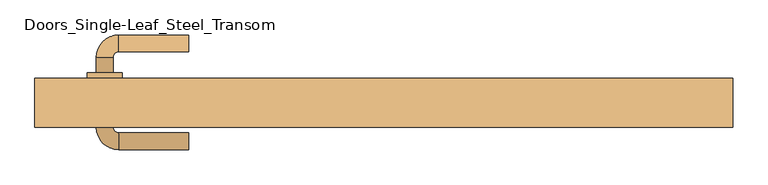
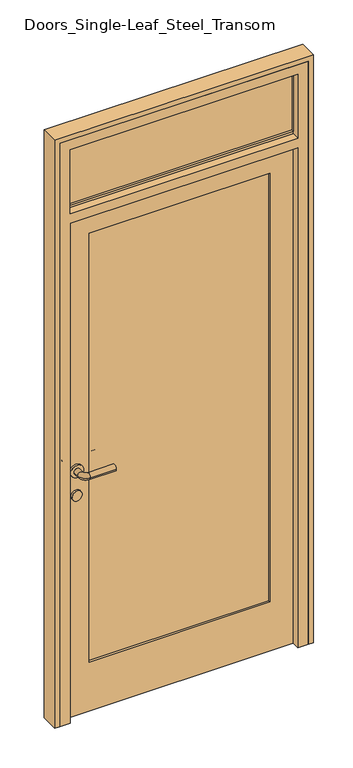
"""IFC4 building model written with IfcOpenShell, lengths in millimetres: door geometry, Doors_Single-Leaf_Steel_Transom."""

from ifc_helpers import new_model, si_unit, point, frame, frame_2d, origin, place, context, project, spatial, polyline, circle_curve, ellipse_curve, trimmed, segment, composite_curve, outline, extrude, faceted_brep, source, transform, mapped, element, save
from ifc_brep_helpers import plane_surface, cylinder_surface, revolved_surface, advanced_brep


def doors_single_leaf_steel_transom_37cc685a(model_context):
    return source(origin(), model_context, "Body", "SolidModel", [
        extrude(outline(polyline([(2080.0, -450.0), (2080.0, 450.0), (2350.0, 450.0), (2350.0, -450.0), (2080.0, -450.0)]), holes=[polyline([(2340.0, 440.0), (2090.0, 440.0), (2090.0, -440.0), (2340.0, -440.0), (2340.0, 440.0)])]), frame((0.0, 10.0, 0.0), z_axis=(0.0, 1.0, 0.0), x_axis=(0.0, 0.0, 1.0)), (0.0, 0.0, 1.0), 40.0),
        extrude(outline(polyline([(-440.0, 42.0), (440.0, 42.0), (440.0, 18.0), (-440.0, 18.0), (-440.0, 42.0)])), frame((0.0, 0.0, 2090.0), z_axis=(0.0, 0.0, 1.0), x_axis=(1.0, 0.0, 0.0)), (0.0, 0.0, 1.0), 250.0),
        extrude(outline(composite_curve([segment(trimmed(circle_curve(frame_2d((900.0, -400.0)), 20.0), [point((900.0, -420.0))], [point((900.0, -380.0))], False, "CARTESIAN"), True, "CONTINUOUS"), segment(trimmed(circle_curve(frame_2d((900.0, -400.0)), 20.0), [point((900.0, -380.0))], [point((900.0, -420.0))], False, "CARTESIAN"), True, "CONTINUOUS")], self_intersect=False)), frame((0.0, 50.0, 0.0), z_axis=(0.0, 1.0, 0.0), x_axis=(0.0, 0.0, 1.0)), (0.0, 0.0, 1.0), 8.0),
        extrude(outline(composite_curve([segment(trimmed(circle_curve(frame_2d((900.0, -400.0)), 20.0), [point((900.0, -420.0))], [point((900.0, -380.0))], False, "CARTESIAN"), True, "CONTINUOUS"), segment(trimmed(circle_curve(frame_2d((900.0, -400.0)), 20.0), [point((900.0, -380.0))], [point((900.0, -420.0))], False, "CARTESIAN"), True, "CONTINUOUS")], self_intersect=False)), frame((0.0, 2.0, 0.0), z_axis=(0.0, 1.0, 0.0), x_axis=(0.0, 0.0, 1.0)), (0.0, 0.0, 1.0), 8.0),
        advanced_brep(
        [(-280.0, 112.0, 1000.0), (-280.0, 88.0, 1000.0), (-380.0, 112.0, 1000.0), (-380.0, 88.0, 1000.0), (-412.0, 80.0, 1000.0), (-388.0, 80.0, 1000.0), (-412.0, 58.0, 1000.0), (-388.0, 58.0, 1000.0), (-425.0, 58.0, 1000.0), (-375.0, 58.0, 1000.0), (-375.0, 50.0, 1000.0), (-425.0, 50.0, 1000.0)],
        [
            (0, 1, circle_curve(frame((-280.0, 100.0, 1000.0), z_axis=(1.0, 0.0, 0.0), x_axis=(0.0, -1.0, 0.0)), 12.0)),
            (1, 0, circle_curve(frame((-280.0, 100.0, 1000.0), z_axis=(1.0, 0.0, 0.0), x_axis=(0.0, -1.0, 0.0)), 12.0)),
            (0, 2),
            (2, 3, circle_curve(frame((-380.0, 100.0, 1000.0), z_axis=(1.0, 0.0, 0.0), x_axis=(0.0, -1.0, 0.0)), 12.0)),
            (3, 1),
            (3, 2, circle_curve(frame((-380.0, 100.0, 1000.0), z_axis=(1.0, 0.0, 0.0), x_axis=(0.0, -1.0, 0.0)), 12.0)),
            (2, 4, circle_curve(frame((-380.0, 80.0, 1000.0), z_axis=(0.0, 0.0, 1.0), x_axis=(0.0, 1.0, 0.0)), 32.0)),
            (4, 5, circle_curve(frame((-400.0, 80.0, 1000.0), z_axis=(0.0, 1.0, 0.0), x_axis=(1.0, 0.0, 0.0)), 12.0)),
            (5, 3, circle_curve(frame((-380.0, 80.0, 1000.0), z_axis=(0.0, 0.0, -1.0), x_axis=(0.0, 1.0, 0.0)), 8.0)),
            (5, 4, circle_curve(frame((-400.0, 80.0, 1000.0), z_axis=(0.0, 1.0, 0.0), x_axis=(1.0, 0.0, 0.0)), 12.0)),
            (4, 6),
            (6, 7, circle_curve(frame((-400.0, 58.0, 1000.0), z_axis=(0.0, 1.0, 0.0), x_axis=(1.0, 0.0, 0.0)), 12.0)),
            (7, 5),
            (7, 6, circle_curve(frame((-400.0, 58.0, 1000.0), z_axis=(0.0, 1.0, 0.0), x_axis=(1.0, 0.0, 0.0)), 12.0)),
            (8, 9, circle_curve(frame((-400.0, 58.0, 1000.0), z_axis=(0.0, 1.0, 0.0), x_axis=(1.0, 0.0, 0.0)), 25.0)),
            (9, 8, circle_curve(frame((-400.0, 58.0, 1000.0), z_axis=(0.0, 1.0, 0.0), x_axis=(1.0, 0.0, 0.0)), 25.0)),
            (9, 10),
            (10, 11, circle_curve(frame((-400.0, 50.0, 1000.0), z_axis=(0.0, 1.0, 0.0), x_axis=(1.0, 0.0, 0.0)), 25.0)),
            (11, 8),
            (11, 10, circle_curve(frame((-400.0, 50.0, 1000.0), z_axis=(0.0, 1.0, 0.0), x_axis=(1.0, 0.0, 0.0)), 25.0)),
        ],
        [
            plane_surface(frame((-280.0, 100.0, 1000.0), z_axis=(1.0, 0.0, 0.0), x_axis=(0.0, 0.0, 1.0))),
            cylinder_surface(frame((-280.0, 100.0, 1000.0), z_axis=(1.0, 0.0, 0.0), x_axis=(0.0, -1.0, 0.0)), 12.0),
            revolved_surface(trimmed(ellipse_curve(frame((-380.0, 100.0, 1000.0), z_axis=(1.0, 0.0, 0.0), x_axis=(0.0, -1.0, 0.0)), 12.0, 12.0), [point((-380.0, 112.0, 1000.0))], [point((-380.0, 88.0, 1000.0))], True, "CARTESIAN"), (-380.0, 80.0, 1000.0), (0.0, 0.0, 1.0)),
            revolved_surface(trimmed(ellipse_curve(frame((-380.0, 100.0, 1000.0), z_axis=(1.0, 0.0, 0.0), x_axis=(0.0, -1.0, 0.0)), 12.0, 12.0), [point((-380.0, 88.0, 1000.0))], [point((-380.0, 112.0, 1000.0))], True, "CARTESIAN"), (-380.0, 80.0, 1000.0), (0.0, 0.0, 1.0)),
            cylinder_surface(frame((-400.0, 80.0, 1000.0), z_axis=(0.0, 1.0, 0.0), x_axis=(1.0, 0.0, 0.0)), 12.0),
            plane_surface(frame((-375.0, 58.0, 1000.0), z_axis=(0.0, 1.0, 0.0), x_axis=(0.0, 0.0, -1.0))),
            cylinder_surface(frame((-400.0, 58.0, 1000.0), z_axis=(0.0, -1.0, 0.0), x_axis=(1.0, 0.0, 0.0)), 25.0),
            plane_surface(frame((-330.0, 50.0, 1200.0), z_axis=(0.0, -1.0, 0.0), x_axis=(0.0, 0.0, -1.0))),
        ],
        [
            (0, [[1, 2]]),
            (1, [[-1, 3, 4, 5]]),
            (1, [[-2, -5, 6, -3]]),
            (2, [[-4, 7, 8, 9]]),
            (3, [[-6, -9, 10, -7]]),
            (4, [[-8, 11, 12, 13]]),
            (4, [[-10, -13, 14, -11]]),
            (5, [[15, 16], [-12, -14]]),
            (6, [[-16, 17, 18, 19]]),
            (6, [[-15, -19, 20, -17]]),
            (7, [[-18, -20]]),
        ],
    ),
        advanced_brep(
        [(-412.0, -20.0, 1000.0), (-388.0, -20.0, 1000.0), (-388.0, 2.0, 1000.0), (-412.0, 2.0, 1000.0), (-380.0, -52.0, 1000.0), (-380.0, -28.0, 1000.0), (-280.0, -52.0, 1000.0), (-280.0, -28.0, 1000.0), (-425.0, 2.0, 1000.0), (-375.0, 2.0, 1000.0), (-425.0, 10.0, 1000.0), (-375.0, 10.0, 1000.0)],
        [
            (0, 1, circle_curve(frame((-400.0, -20.0, 1000.0), z_axis=(0.0, 1.0, 0.0), x_axis=(1.0, 0.0, 0.0)), 12.0)),
            (1, 2),
            (2, 3, circle_curve(frame((-400.0, 2.0, 1000.0), z_axis=(0.0, -1.0, 0.0), x_axis=(1.0, 0.0, 0.0)), 12.0)),
            (3, 0),
            (1, 0, circle_curve(frame((-400.0, -20.0, 1000.0), z_axis=(0.0, 1.0, 0.0), x_axis=(1.0, 0.0, 0.0)), 12.0)),
            (3, 2, circle_curve(frame((-400.0, 2.0, 1000.0), z_axis=(0.0, -1.0, 0.0), x_axis=(1.0, 0.0, 0.0)), 12.0)),
            (0, 4, circle_curve(frame((-380.0, -20.0, 1000.0), z_axis=(0.0, 0.0, 1.0), x_axis=(-1.0, 0.0, 0.0)), 32.0)),
            (4, 5, circle_curve(frame((-380.0, -40.0, 1000.0), z_axis=(-1.0, 0.0, 0.0), x_axis=(0.0, 1.0, 0.0)), 12.0)),
            (5, 1, circle_curve(frame((-380.0, -20.0, 1000.0), z_axis=(0.0, 0.0, -1.0), x_axis=(-1.0, 0.0, 0.0)), 8.0)),
            (5, 4, circle_curve(frame((-380.0, -40.0, 1000.0), z_axis=(-1.0, 0.0, 0.0), x_axis=(0.0, 1.0, 0.0)), 12.0)),
            (6, 7, circle_curve(frame((-280.0, -40.0, 1000.0), z_axis=(1.0, 0.0, 0.0), x_axis=(0.0, 1.0, 0.0)), 12.0)),
            (7, 6, circle_curve(frame((-280.0, -40.0, 1000.0), z_axis=(1.0, 0.0, 0.0), x_axis=(0.0, 1.0, 0.0)), 12.0)),
            (4, 6),
            (7, 5),
            (8, 9, circle_curve(frame((-400.0, 2.0, 1000.0), z_axis=(0.0, -1.0, 0.0), x_axis=(1.0, 0.0, 0.0)), 25.0)),
            (9, 8, circle_curve(frame((-400.0, 2.0, 1000.0), z_axis=(0.0, -1.0, 0.0), x_axis=(1.0, 0.0, 0.0)), 25.0)),
            (8, 10),
            (10, 11, circle_curve(frame((-400.0, 10.0, 1000.0), z_axis=(0.0, -1.0, 0.0), x_axis=(1.0, 0.0, 0.0)), 25.0)),
            (11, 9),
            (11, 10, circle_curve(frame((-400.0, 10.0, 1000.0), z_axis=(0.0, -1.0, 0.0), x_axis=(1.0, 0.0, 0.0)), 25.0)),
        ],
        [
            cylinder_surface(frame((-400.0, 80.0, 1000.0), z_axis=(0.0, 1.0, 0.0), x_axis=(1.0, 0.0, 0.0)), 12.0),
            revolved_surface(trimmed(ellipse_curve(frame((-400.0, -20.0, 1000.0), z_axis=(0.0, 1.0, 0.0), x_axis=(1.0, 0.0, 0.0)), 12.0, 12.0), [point((-412.0, -20.0, 1000.0))], [point((-388.0, -20.0, 1000.0))], True, "CARTESIAN"), (-380.0, -20.0, 1000.0), (0.0, 0.0, 1.0)),
            revolved_surface(trimmed(ellipse_curve(frame((-400.0, -20.0, 1000.0), z_axis=(0.0, 1.0, 0.0), x_axis=(1.0, 0.0, 0.0)), 12.0, 12.0), [point((-388.0, -20.0, 1000.0))], [point((-412.0, -20.0, 1000.0))], True, "CARTESIAN"), (-380.0, -20.0, 1000.0), (0.0, 0.0, 1.0)),
            plane_surface(frame((-280.0, -40.0, 1000.0), z_axis=(1.0, 0.0, 0.0), x_axis=(0.0, 0.0, 1.0))),
            cylinder_surface(frame((-380.0, -40.0, 1000.0), z_axis=(-1.0, 0.0, 0.0), x_axis=(0.0, 1.0, 0.0)), 12.0),
            plane_surface(frame((-375.0, 2.0, 1000.0), z_axis=(0.0, -1.0, 0.0), x_axis=(0.0, 0.0, 1.0))),
            cylinder_surface(frame((-400.0, 58.0, 1000.0), z_axis=(0.0, -1.0, 0.0), x_axis=(1.0, 0.0, 0.0)), 25.0),
            plane_surface(frame((-490.0, 10.0, 1200.0), z_axis=(0.0, 1.0, 0.0), x_axis=(0.0, 0.0, -1.0))),
        ],
        [
            (0, [[1, 2, 3, 4]]),
            (0, [[5, -4, 6, -2]]),
            (1, [[-1, 7, 8, 9]]),
            (2, [[-5, -9, 10, -7]]),
            (3, [[11, 12]]),
            (4, [[-8, 13, -12, 14]]),
            (4, [[-10, -14, -11, -13]]),
            (5, [[15, 16], [-3, -6]]),
            (6, [[-15, 17, 18, 19]]),
            (6, [[-16, -19, 20, -17]]),
            (7, [[-18, -20]]),
        ],
    ),
        extrude(outline(polyline([(0.0, -450.0), (0.0, 450.0), (2050.0, 450.0), (2050.0, -450.0), (0.0, -450.0)]), holes=[polyline([(1950.0, 350.0), (200.0, 350.0), (200.0, -350.0), (1950.0, -350.0), (1950.0, 350.0)])]), frame((0.0, 10.0, 0.0), z_axis=(0.0, 1.0, 0.0), x_axis=(0.0, 0.0, 1.0)), (0.0, 0.0, 1.0), 40.0),
        extrude(outline(polyline([(-350.0, 42.0), (350.0, 42.0), (350.0, 18.0), (-350.0, 18.0), (-350.0, 42.0)])), frame((0.0, 0.0, 200.0), z_axis=(0.0, 0.0, 1.0), x_axis=(1.0, 0.0, 0.0)), (0.0, 0.0, 1.0), 1750.0),
        extrude(outline(polyline([(0.0, 500.0), (2400.0, 500.0), (2400.0, -500.0), (0.0, -500.0), (0.0, -480.0), (2380.0, -480.0), (2380.0, 480.0), (0.0, 480.0), (0.0, 500.0)])), frame((0.0, -20.0, 0.0), z_axis=(0.0, 1.0, 0.0), x_axis=(0.0, 0.0, 1.0)), (0.0, 0.0, 1.0), 70.0),
        faceted_brep([(-480.0, -20.0, 0.0), (-480.0, 50.0, 0.0), (-450.0, 50.0, 0.0), (-450.0, 10.0, 0.0), (-440.0, 10.0, 0.0), (-440.0, -20.0, 0.0), (-480.0, -20.0, 2380.0), (-480.0, 50.0, 2380.0), (480.0, 50.0, 2380.0), (480.0, 50.0, 0.0), (450.0, 50.0, 0.0), (450.0, 50.0, 2050.0), (-450.0, 50.0, 2050.0), (-450.0, 50.0, 2080.0), (450.0, 50.0, 2080.0), (450.0, 50.0, 2350.0), (-450.0, 50.0, 2350.0), (-450.0, 10.0, 2050.0), (450.0, 10.0, 2050.0), (450.0, 10.0, 0.0), (440.0, 10.0, 0.0), (440.0, 10.0, 2040.0), (-440.0, 10.0, 2040.0), (-440.0, -20.0, 2040.0), (440.0, -20.0, 2040.0), (440.0, -20.0, 0.0), (480.0, -20.0, 0.0), (480.0, -20.0, 2380.0), (440.0, -20.0, 2080.0), (-440.0, -20.0, 2080.0), (-440.0, -20.0, 2340.0), (440.0, -20.0, 2340.0), (-450.0, 10.0, 2080.0), (-440.0, 10.0, 2080.0), (440.0, 10.0, 2080.0), (450.0, 10.0, 2080.0), (-450.0, 10.0, 2350.0), (450.0, 10.0, 2350.0), (440.0, 10.0, 2340.0), (-440.0, 10.0, 2340.0)], [[[0, 1, 2, 3, 4, 5]], [[1, 0, 6, 7]], [[2, 1, 7, 8, 9, 10, 11, 12], [13, 14, 15, 16]], [[3, 2, 12, 17]], [[4, 3, 17, 18, 19, 20, 21, 22]], [[5, 4, 22, 23]], [[6, 0, 5, 23, 24, 25, 26, 27], [28, 29, 30, 31]], [[14, 13, 32, 33, 29, 28, 34, 35]], [[12, 11, 18, 17]], [[22, 21, 24, 23]], [[10, 9, 26, 25, 20, 19]], [[9, 8, 27, 26]], [[11, 10, 19, 18]], [[21, 20, 25, 24]], [[13, 16, 36, 32]], [[32, 36, 37, 35, 34, 38, 39, 33]], [[33, 39, 30, 29]], [[7, 6, 27, 8]], [[16, 15, 37, 36]], [[39, 38, 31, 30]], [[15, 14, 35, 37]], [[38, 34, 28, 31]]]),
    ])


if __name__ == "__main__":
    model = new_model("IFC4")
    model_context = context("Model", 3, world=origin())
    ifc_project = project(units=[si_unit("LENGTHUNIT", "METRE", prefix="MILLI")], contexts=[model_context])
    site = spatial("IfcSite", under=ifc_project)
    building = spatial("IfcBuilding", under=site)
    placement = place(None, origin())
    doors_single_leaf_steel_transom_shape = doors_single_leaf_steel_transom_37cc685a(model_context)
    element("IfcDoor", 1, ObjectType="Doors_Single-Leaf_Steel_Transom", at=placement, inside=building, context=model_context, shape_type="MappedRepresentation", body=[
        mapped(doors_single_leaf_steel_transom_shape, transform((0.0, 0.0, 0.0), x_axis=(1.0, 0.0, 0.0), y_axis=(0.0, 1.0, 0.0), z_axis=(0.0, 0.0, 1.0))),
    ])
    save(model, "model.ifc")
